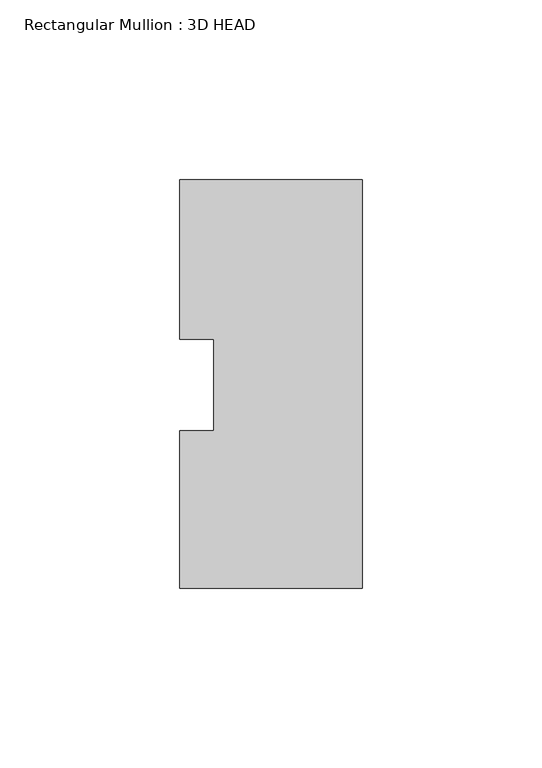
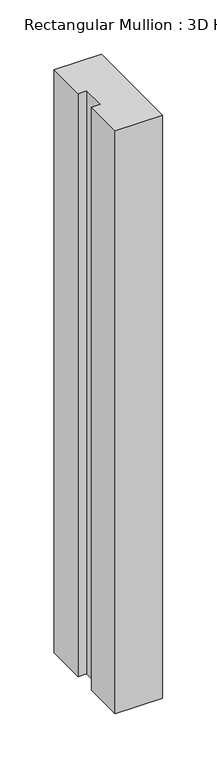
"""IFC4 building model written with IfcOpenShell, lengths in millimetres: member geometry, Rectangular Mullion : 3D HEAD."""

from ifc_helpers import new_model, si_unit, frame, origin, place, context, project, spatial, polyline, outline, extrude, source, transform, mapped, element, save


def rectangular_mullion_3d_head_c233a419(model_context):
    return source(origin(), model_context, "Body", "SweptSolid", [
        extrude(outline(polyline([(0.0, -56.4681052), (-50.8, -56.4681052), (-50.8, -12.6827714), (-41.275, -12.6827714), (-41.275, 12.8118553), (-50.8, 12.8118553), (-50.8, 57.2618553), (0.0, 57.2618553), (0.0, -56.4681052)])), frame((0.0, 0.0, -658.9215384), z_axis=(0.0, 0.0, 1.0), x_axis=(1.0, 0.0, 0.0)), (0.0, 0.0, 1.0), 658.9215384),
    ])


if __name__ == "__main__":
    model = new_model("IFC4")
    model_context = context("Model", 3, world=origin())
    ifc_project = project(units=[si_unit("LENGTHUNIT", "METRE", prefix="MILLI")], contexts=[model_context])
    site = spatial("IfcSite", under=ifc_project)
    building = spatial("IfcBuilding", under=site)
    placement = place(None, origin())
    rectangular_mullion_3d_head_shape = rectangular_mullion_3d_head_c233a419(model_context)
    element("IfcMember", 1, ObjectType="Rectangular Mullion : 3D HEAD", at=placement, inside=building, context=model_context, shape_type="MappedRepresentation", body=[
        mapped(rectangular_mullion_3d_head_shape, transform((0.0, 0.0, 0.0), x_axis=(1.0, 0.0, 0.0), y_axis=(0.0, 1.0, 0.0), z_axis=(0.0, 0.0, 1.0))),
    ])
    save(model, "model.ifc")
